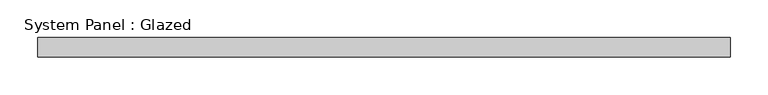
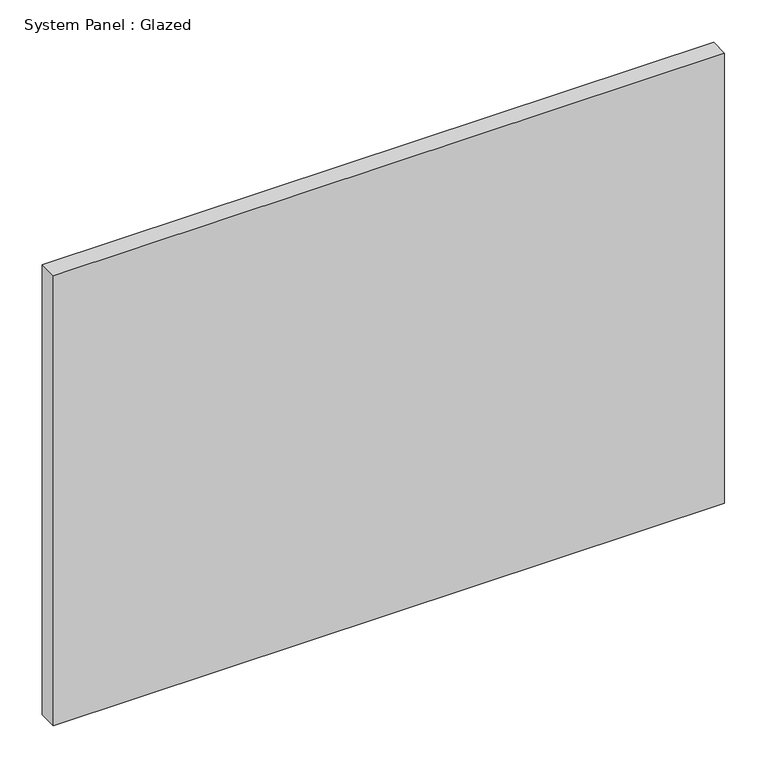
"""IFC4 building model written with IfcOpenShell, lengths in millimetres: plate geometry, System Panel : Glazed."""

from ifc_helpers import new_model, si_unit, origin, origin_with_axes, place, context, project, spatial, polyline, outline, extrude, source, transform, mapped, element, save


def system_panel_glazed_cf581d31(model_context):
    return source(origin(), model_context, "Body", "SweptSolid", [
        extrude(outline(polyline([(457.2, 19.05), (-457.2, 19.05), (-457.2, 44.45), (457.2, 44.45), (457.2, 19.05)])), origin_with_axes(), (0.0, 0.0, 1.0), 647.7),
    ])


if __name__ == "__main__":
    model = new_model("IFC4")
    model_context = context("Model", 3, world=origin())
    ifc_project = project(units=[si_unit("LENGTHUNIT", "METRE", prefix="MILLI")], contexts=[model_context])
    site = spatial("IfcSite", under=ifc_project)
    building = spatial("IfcBuilding", under=site)
    placement = place(None, origin())
    system_panel_glazed_shape = system_panel_glazed_cf581d31(model_context)
    element("IfcPlate", 1, ObjectType="System Panel : Glazed", at=placement, inside=building, context=model_context, shape_type="MappedRepresentation", body=[
        mapped(system_panel_glazed_shape, transform((0.0, 0.0, 0.0), x_axis=(1.0, 0.0, 0.0), y_axis=(0.0, 1.0, 0.0), z_axis=(0.0, 0.0, 1.0))),
    ])
    save(model, "model.ifc")
